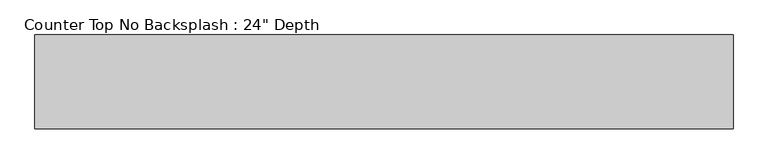
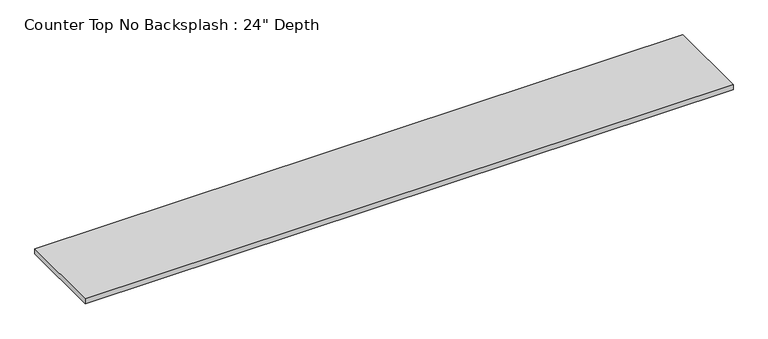
"""IFC4 building model written with IfcOpenShell, lengths in millimetres: furniture geometry."""

from ifc_helpers import new_model, si_unit, frame, origin, place, context, project, spatial, polyline, outline, extrude, source, transform, mapped, element, save


def furniture_93bdfc91(model_context):
    return source(origin(), model_context, "Body", "SweptSolid", [
        extrude(outline(polyline([(3517.5877049, 0.0), (3517.5877049, -635.0), (-1200.4622951, -635.0), (-1200.4622951, 0.0), (3517.5877049, 0.0)])), frame((0.0, 0.0, 876.3), z_axis=(0.0, 0.0, 1.0), x_axis=(1.0, 0.0, 0.0)), (0.0, 0.0, 1.0), 38.1),
    ])


if __name__ == "__main__":
    model = new_model("IFC4")
    model_context = context("Model", 3, world=origin())
    ifc_project = project(units=[si_unit("LENGTHUNIT", "METRE", prefix="MILLI")], contexts=[model_context])
    site = spatial("IfcSite", under=ifc_project)
    building = spatial("IfcBuilding", under=site)
    placement = place(None, origin())
    furniture_shape = furniture_93bdfc91(model_context)
    element("IfcFurniture", 1, ObjectType="Counter Top No Backsplash : 24\" Depth", at=placement, inside=building, context=model_context, shape_type="MappedRepresentation", body=[
        mapped(furniture_shape, transform((0.0, 0.0, 0.0), x_axis=(1.0, 0.0, 0.0), y_axis=(0.0, 1.0, 0.0), z_axis=(0.0, 0.0, 1.0))),
    ])
    save(model, "model.ifc")
